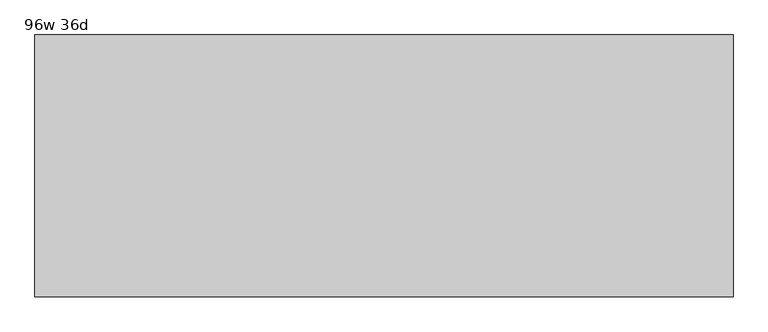
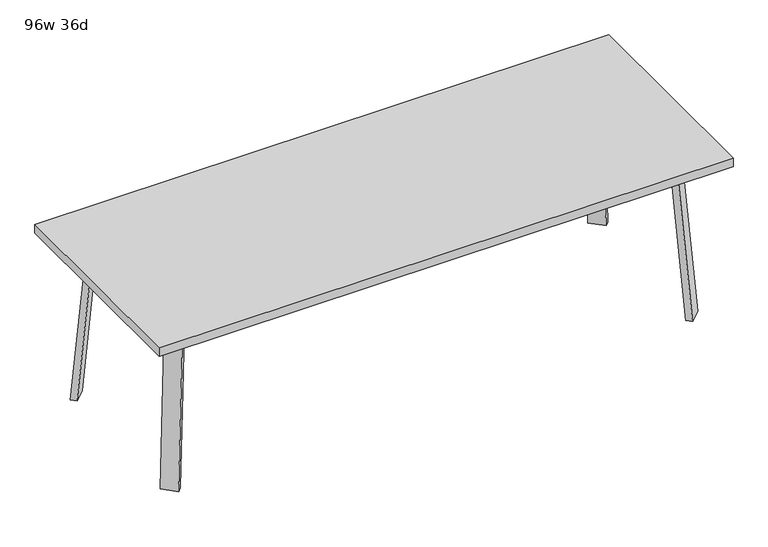
"""IFC4 building model written with IfcOpenShell, lengths in millimetres: furniture geometry, 96w 36d."""

from ifc_helpers import new_model, si_unit, point, frame, frame_2d, origin, place, context, project, spatial, polyline, circle_curve, trimmed, segment, composite_curve, outline, extrude, faceted_brep, source, transform, mapped, element, save


def furniture_96w_36d_0351b9ce(model_context):
    return source(origin(), model_context, "Body", "SolidModel", [
        faceted_brep([(911.0753042, -274.0920519, 695.325), (950.5884312, -234.578925, 695.325), (1005.7047531, -289.6952469, 695.325), (999.0631053, -296.3368947, 695.325), (938.0160726, -301.0328203, 695.325), (1058.3368947, -237.0631053, 695.325), (1052.4020849, -242.9979151, 695.325), (997.285763, -187.8815931, 695.325), (1036.7988899, -148.3684662, 695.325), (1063.7396583, -175.3092346, 695.325), (911.0753042, -274.0920519, 698.5), (938.0160726, -301.0328203, 698.5), (999.0631053, -296.3368947, 698.5), (1058.3368947, -237.0631053, 698.5), (1063.7396583, -175.3092346, 698.5), (1036.7988899, -148.3684662, 698.5), (1005.7047531, -289.6952469, 673.1), (1052.4020849, -242.9979151, 673.1), (960.8034725, -244.7939663, 673.1), (1007.5008043, -198.0966345, 673.1)], [[[0, 1, 2, 3, 4]], [[5, 6, 7, 8, 9]], [[10, 11, 12, 13, 14, 15]], [[4, 11, 10, 0]], [[3, 12, 11, 4]], [[12, 3, 2, 16, 17, 6, 5, 13]], [[9, 14, 13, 5]], [[8, 15, 14, 9]], [[15, 8, 7, 1, 0, 10]], [[2, 1, 18, 16]], [[7, 6, 17, 19]], [[18, 19, 17, 16]], [[1, 7, 19, 18]]]),
        extrude(outline(composite_curve([segment(polyline([(-698.9257667, 0.0), (-704.4601563, 63.2583633), (-679.156811, 65.4721192), (-677.172355, 42.7896831)]), True, "CONTINUOUS"), segment(trimmed(circle_curve(frame_2d((-658.194846, 44.45)), 19.05), [point((-677.172355, 42.7896831))], [point((-658.194846, 25.4))], True, "CARTESIAN"), True, "CONTINUOUS"), segment(polyline([(-658.194846, 25.4), (0.0201778, 25.4), (2.2423899, 0.0), (-698.9257667, 0.0)]), True, "CONTINUOUS")], self_intersect=False)), frame((1091.9792647, -379.3706733, 2.2338569), z_axis=(0.7071067811865512, 0.707106781186544, 0.0), x_axis=(0.06162841671622733, -0.06162841671621349, -0.9961946980917454)), (0.0, 0.0, 1.0), 69.85),
        faceted_brep([(911.0753042, 274.0920519, 695.325), (938.0160726, 301.0328203, 695.325), (999.0631053, 296.3368947, 695.325), (1005.7047531, 289.6952469, 695.325), (950.5884312, 234.578925, 695.325), (1058.3368947, 237.0631053, 695.325), (1063.7396583, 175.3092346, 695.325), (1036.7988899, 148.3684662, 695.325), (997.285763, 187.8815931, 695.325), (1052.4020849, 242.9979151, 695.325), (911.0753042, 274.0920519, 698.5), (1036.7988899, 148.3684662, 698.5), (1063.7396583, 175.3092346, 698.5), (1058.3368947, 237.0631053, 698.5), (999.0631053, 296.3368947, 698.5), (938.0160726, 301.0328203, 698.5), (1052.4020849, 242.9979151, 673.1), (1005.7047531, 289.6952469, 673.1), (960.8034725, 244.7939663, 673.1), (1007.5008043, 198.0966345, 673.1)], [[[0, 1, 2, 3, 4]], [[5, 6, 7, 8, 9]], [[10, 11, 12, 13, 14, 15]], [[1, 0, 10, 15]], [[2, 1, 15, 14]], [[14, 13, 5, 9, 16, 17, 3, 2]], [[6, 5, 13, 12]], [[7, 6, 12, 11]], [[11, 10, 0, 4, 8, 7]], [[3, 17, 18, 4]], [[8, 19, 16, 9]], [[18, 17, 16, 19]], [[4, 18, 19, 8]]]),
        extrude(outline(composite_curve([segment(polyline([(698.9257667, 0.0), (704.4601563, -63.2583633), (679.156811, -65.4721192), (677.172355, -42.7896831)]), True, "CONTINUOUS"), segment(trimmed(circle_curve(frame_2d((658.194846, -44.45)), 19.05), [point((677.172355, -42.7896831))], [point((658.194846, -25.4))], True, "CARTESIAN"), True, "CONTINUOUS"), segment(polyline([(658.194846, -25.4), (-0.0201778, -25.4), (-2.2423899, 0.0), (698.9257667, 0.0)]), True, "CONTINUOUS")], self_intersect=False)), frame((1141.3706733, 329.9792647, 2.2338569), z_axis=(-0.7071067811865512, 0.707106781186544, 0.0), x_axis=(-0.06162841671622733, -0.06162841671621349, 0.9961946980917454)), (0.0, 0.0, 1.0), 69.85),
        faceted_brep([(-911.0753042, 274.0920519, 695.325), (-950.5884312, 234.578925, 695.325), (-1005.7047531, 289.6952469, 695.325), (-999.0631053, 296.3368947, 695.325), (-938.0160726, 301.0328203, 695.325), (-1058.3368947, 237.0631053, 695.325), (-1052.4020849, 242.9979151, 695.325), (-997.285763, 187.8815931, 695.325), (-1036.7988899, 148.3684662, 695.325), (-1063.7396583, 175.3092346, 695.325), (-911.0753042, 274.0920519, 698.5), (-938.0160726, 301.0328203, 698.5), (-999.0631053, 296.3368947, 698.5), (-1058.3368947, 237.0631053, 698.5), (-1063.7396583, 175.3092346, 698.5), (-1036.7988899, 148.3684662, 698.5), (-1005.7047531, 289.6952469, 673.1), (-1052.4020849, 242.9979151, 673.1), (-960.8034725, 244.7939663, 673.1), (-1007.5008043, 198.0966345, 673.1)], [[[0, 1, 2, 3, 4]], [[5, 6, 7, 8, 9]], [[10, 11, 12, 13, 14, 15]], [[4, 11, 10, 0]], [[3, 12, 11, 4]], [[12, 3, 2, 16, 17, 6, 5, 13]], [[9, 14, 13, 5]], [[8, 15, 14, 9]], [[15, 8, 7, 1, 0, 10]], [[2, 1, 18, 16]], [[7, 6, 17, 19]], [[18, 19, 17, 16]], [[1, 7, 19, 18]]]),
        extrude(outline(composite_curve([segment(polyline([(698.9257667, 0.0), (-2.2423899, 0.0), (-0.0201778, 25.4), (658.194846, 25.4)]), True, "CONTINUOUS"), segment(trimmed(circle_curve(frame_2d((658.194846, 44.45)), 19.05), [point((658.194846, 25.4))], [point((677.172355, 42.7896831))], True, "CARTESIAN"), True, "CONTINUOUS"), segment(polyline([(677.172355, 42.7896831), (679.156811, 65.4721192), (704.4601563, 63.2583633), (698.9257667, 0.0)]), True, "CONTINUOUS")], self_intersect=False)), frame((-1141.3706733, 329.9792647, 2.2338569), z_axis=(0.7071067811865512, 0.707106781186544, 0.0), x_axis=(0.06162841671622733, -0.06162841671621349, 0.9961946980917454)), (0.0, 0.0, 1.0), 69.85),
        faceted_brep([(-911.0753042, -274.0920519, 695.325), (-938.0160726, -301.0328203, 695.325), (-999.0631053, -296.3368947, 695.325), (-1005.7047531, -289.6952469, 695.325), (-950.5884312, -234.578925, 695.325), (-1058.3368947, -237.0631053, 695.325), (-1063.7396583, -175.3092346, 695.325), (-1036.7988899, -148.3684662, 695.325), (-997.285763, -187.8815931, 695.325), (-1052.4020849, -242.9979151, 695.325), (-911.0753042, -274.0920519, 698.5), (-1036.7988899, -148.3684662, 698.5), (-1063.7396583, -175.3092346, 698.5), (-1058.3368947, -237.0631053, 698.5), (-999.0631053, -296.3368947, 698.5), (-938.0160726, -301.0328203, 698.5), (-1052.4020849, -242.9979151, 673.1), (-1005.7047531, -289.6952469, 673.1), (-960.8034725, -244.7939663, 673.1), (-1007.5008043, -198.0966345, 673.1)], [[[0, 1, 2, 3, 4]], [[5, 6, 7, 8, 9]], [[10, 11, 12, 13, 14, 15]], [[1, 0, 10, 15]], [[2, 1, 15, 14]], [[14, 13, 5, 9, 16, 17, 3, 2]], [[6, 5, 13, 12]], [[7, 6, 12, 11]], [[11, 10, 0, 4, 8, 7]], [[3, 17, 18, 4]], [[8, 19, 16, 9]], [[18, 17, 16, 19]], [[4, 18, 19, 8]]]),
        extrude(outline(composite_curve([segment(polyline([(-698.9257667, 0.0), (2.2423899, 0.0), (0.0201778, -25.4), (-658.194846, -25.4)]), True, "CONTINUOUS"), segment(trimmed(circle_curve(frame_2d((-658.194846, -44.45)), 19.05), [point((-658.194846, -25.4))], [point((-677.172355, -42.7896831))], True, "CARTESIAN"), True, "CONTINUOUS"), segment(polyline([(-677.172355, -42.7896831), (-679.156811, -65.4721192), (-704.4601563, -63.2583633), (-698.9257667, 0.0)]), True, "CONTINUOUS")], self_intersect=False)), frame((-1091.9792647, -379.3706733, 2.2338569), z_axis=(-0.7071067811865512, 0.707106781186544, 0.0), x_axis=(-0.06162841671622733, -0.06162841671621349, -0.9961946980917454)), (0.0, 0.0, 1.0), 69.85),
        extrude(outline(polyline([(1219.2, 457.2), (1219.2, -457.2), (-1219.2, -457.2), (-1219.2, 457.2), (1219.2, 457.2)])), frame((0.0, 0.0, 698.5), z_axis=(0.0, 0.0, 1.0), x_axis=(1.0, 0.0, 0.0)), (0.0, 0.0, 1.0), 38.1),
    ])


if __name__ == "__main__":
    model = new_model("IFC4")
    model_context = context("Model", 3, world=origin())
    ifc_project = project(units=[si_unit("LENGTHUNIT", "METRE", prefix="MILLI")], contexts=[model_context])
    site = spatial("IfcSite", under=ifc_project)
    building = spatial("IfcBuilding", under=site)
    placement = place(None, origin())
    furniture_96w_36d_shape = furniture_96w_36d_0351b9ce(model_context)
    element("IfcFurniture", 1, ObjectType="96w 36d", at=placement, inside=building, context=model_context, shape_type="MappedRepresentation", body=[
        mapped(furniture_96w_36d_shape, transform((0.0, 0.0, 0.0), x_axis=(1.0, 0.0, 0.0), y_axis=(0.0, 1.0, 0.0), z_axis=(0.0, 0.0, 1.0))),
    ])
    save(model, "model.ifc")
